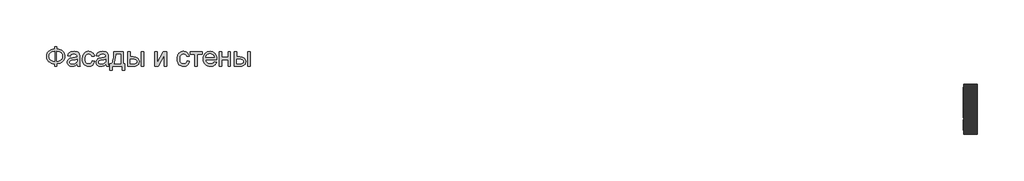
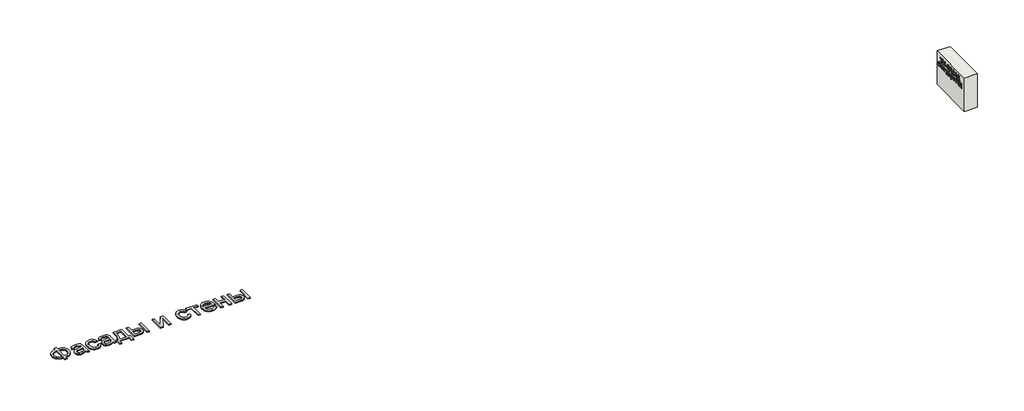
# One storey: 2 proxies, 1 wall.
"""IFC4 building model written with IfcOpenShell, lengths in millimetres."""

import ifcopenshell
import ifcopenshell.guid

model = None  # the IFC model being written
_history = None  # IfcOwnerHistory: only IFC2X3 demands one
_inside = {}  # id of a spatial element -> (the spatial element, [elements in it])
_under = {}  # id of a project, library or spatial element -> (it, [spatial elements below it])
_declared = {}  # id of a project -> (the project, [libraries it declares])
_typed = {}  # id of a type object -> (the type object, [elements of that type])
_made_of = {}  # id of a material, layer set ... -> (it, [elements and type objects made of it])


def new_model(schema):
    """Start an empty IFC model of exactly this schema.

    Asked for "IFC4X3", IfcOpenShell would pick the latest addendum, in which some entities
    have other attributes; the version numbers below select the first issue.
    IFC2X3 requires an IfcOwnerHistory on every rooted entity: one is made here for all.
    """
    global model, _history
    if schema == "IFC4X3":
        model = ifcopenshell.file(schema_version=(4, 3, 0, 0))
    else:
        model = ifcopenshell.file(schema=schema)
    _inside.clear()
    _under.clear()
    _declared.clear()
    _typed.clear()
    _made_of.clear()
    _history = None
    if model.schema == "IFC2X3":
        org = make("IfcOrganization", Name="unknown")
        user = make(
            "IfcPersonAndOrganization",
            ThePerson=make("IfcPerson", FamilyName="unknown"),
            TheOrganization=org,
        )
        app = make(
            "IfcApplication",
            ApplicationDeveloper=org,
            Version="unknown",
            ApplicationFullName="unknown",
            ApplicationIdentifier="unknown",
        )
        _history = make(
            "IfcOwnerHistory",
            OwningUser=user,
            OwningApplication=app,
            ChangeAction="ADDED",
            CreationDate=0,
        )
    return model


def make(cls, **values):
    """One entity of the class cls with the attributes given. An attribute that is None is left unset."""
    return model.create_entity(
        cls, **{name: value for name, value in values.items() if value is not None}
    )


def rooted(cls, **values):
    """An entity with a GlobalId (a new one), such as an element, a storey or a relation."""
    return make(cls, GlobalId=ifcopenshell.guid.new(), OwnerHistory=_history, **values)


def si_unit(unit_type, name, prefix=None):
    """IfcSIUnit, for example si_unit("LENGTHUNIT", "METRE", prefix="MILLI")."""
    return make("IfcSIUnit", UnitType=unit_type, Prefix=prefix, Name=name)


def assignment(units):
    """IfcUnitAssignment: the units of a project."""
    return None if units is None else make("IfcUnitAssignment", Units=units)


def point(xyz):
    """IfcCartesianPoint."""
    return None if xyz is None else make("IfcCartesianPoint", Coordinates=xyz)


def direction(xyz):
    """IfcDirection."""
    return None if xyz is None else make("IfcDirection", DirectionRatios=xyz)


def frame(location, z_axis=None, x_axis=None):
    """IfcAxis2Placement3D, a coordinate frame: its origin and axes. An axis left out is left unset."""
    return make(
        "IfcAxis2Placement3D",
        Location=point(location),
        Axis=direction(z_axis),
        RefDirection=direction(x_axis),
    )


def origin():
    """The frame at (0, 0, 0) with its axes left unset."""
    return frame((0.0, 0.0, 0.0))


def origin_with_axes():
    """The frame at (0, 0, 0) with the z axis (0, 0, 1) and the x axis (1, 0, 0) written out."""
    return frame((0.0, 0.0, 0.0), z_axis=(0.0, 0.0, 1.0), x_axis=(1.0, 0.0, 0.0))


def place(relative_to, where):
    """IfcLocalPlacement: puts the frame where relative to a parent placement (None: the world)."""
    return make(
        "IfcLocalPlacement", PlacementRelTo=relative_to, RelativePlacement=where
    )


def context(
    kind, dimensions, precision=None, world=None, true_north=None, identifier=None
):
    """IfcGeometricRepresentationContext, for example the 3D "Model" context."""
    return make(
        "IfcGeometricRepresentationContext",
        ContextIdentifier=identifier,
        ContextType=kind,
        CoordinateSpaceDimension=dimensions,
        Precision=precision,
        WorldCoordinateSystem=world,
        TrueNorth=true_north,
    )


def project(units=None, contexts=None):
    """IfcProject with its units and contexts."""
    return rooted(
        "IfcProject",
        Name="project",
        RepresentationContexts=contexts,
        UnitsInContext=assignment(units),
    )


def spatial(cls, under=None, at=None, **own):
    """A site, building, storey or space (cls), placed at a placement, below another one or the project."""
    s = rooted(cls, ObjectPlacement=at, **own)
    if under is not None:
        _under.setdefault(under.id(), (under, []))[1].append(s)
    return s


def polyline(points):
    """IfcPolyline through the points."""
    return make("IfcPolyline", Points=[point(p) for p in points])


def outline(outer, holes=None, kind="AREA"):
    """IfcArbitraryClosedProfileDef: a profile drawn as a closed curve; with holes, ...WithVoids."""
    if holes is None:
        return make("IfcArbitraryClosedProfileDef", ProfileType=kind, OuterCurve=outer)
    return make(
        "IfcArbitraryProfileDefWithVoids",
        ProfileType=kind,
        OuterCurve=outer,
        InnerCurves=holes,
    )


def extrude(swept, where, along, depth):
    """IfcExtrudedAreaSolid: the profile swept, set in the frame where, extruded along a direction by depth."""
    return make(
        "IfcExtrudedAreaSolid",
        SweptArea=swept,
        Position=where,
        ExtrudedDirection=direction(along),
        Depth=depth,
    )


def shape(context_of_items, identifier, shape_type, items):
    """IfcShapeRepresentation: the items that make up one representation, for example the "Body"."""
    return make(
        "IfcShapeRepresentation",
        ContextOfItems=context_of_items,
        RepresentationIdentifier=identifier,
        RepresentationType=shape_type,
        Items=items,
    )


def made_of(thing, what):
    """Note that an element or type object is made of a material, layer set ...; save() writes the relation."""
    if what is not None:
        _made_of.setdefault(what.id(), (what, []))[1].append(thing)
    return thing


def element(
    cls,
    number,
    at=None,
    inside=None,
    cuts=None,
    type_object=None,
    material=None,
    context=None,
    identifier="Body",
    shape_type=None,
    held_by="IfcProductDefinitionShape",
    body=None,
    shapes=None,
    **own,
):
    """One element of the class cls, such as IfcWall. Its Tag is "e" and its number.

    at: its placement. inside: the storey or other place that contains it. cuts: it is an
    opening in that element (IfcRelVoidsElement). A single representation is given by context,
    identifier, shape_type and body (its items); several are given by shapes. held_by: the class
    of the entity that holds the representations. save() writes the other relations.
    """
    e = rooted(cls, Tag="e%d" % number, ObjectPlacement=at, **own)
    if body is not None:
        shapes = [shape(context, identifier, shape_type, body)]
    if shapes is not None:
        e.Representation = make(held_by, Representations=shapes)
    if inside is not None:
        _inside.setdefault(inside.id(), (inside, []))[1].append(e)
    if cuts is not None:
        rooted(
            "IfcRelVoidsElement", RelatingBuildingElement=cuts, RelatedOpeningElement=e
        )
    if type_object is not None:
        _typed.setdefault(type_object.id(), (type_object, []))[1].append(e)
    return made_of(e, material)


def aggregate(whole, parts):
    """IfcRelAggregates: a whole, such as a stair, and the parts it consists of."""
    return rooted("IfcRelAggregates", RelatingObject=whole, RelatedObjects=parts)


def save(model, path):
    """Write the relations noted so far, then the file.

    IfcRelAggregates (storeys below a building ...), IfcRelContainedInSpatialStructure (elements
    in a storey), IfcRelDefinesByType, IfcRelAssociatesMaterial and IfcRelDeclares: one each for
    every whole, place, type object, material and project.
    """
    for whole, parts in _under.values():
        aggregate(whole, parts)
    for where, things in _inside.values():
        rooted(
            "IfcRelContainedInSpatialStructure",
            RelatedElements=things,
            RelatingStructure=where,
        )
    for kind, things in _typed.values():
        rooted("IfcRelDefinesByType", RelatedObjects=things, RelatingType=kind)
    for what, things in _made_of.values():
        rooted("IfcRelAssociatesMaterial", RelatedObjects=things, RelatingMaterial=what)
    for by, libraries in _declared.values():
        rooted("IfcRelDeclares", RelatingContext=by, RelatedDefinitions=libraries)
    model.write(path)


model = new_model("IFC4")

# Units and contexts
model_context = context("Model", 3, world=origin())
ifc_project = project(units=[si_unit("LENGTHUNIT", "METRE", prefix="MILLI")], contexts=[model_context])

# Site, building, storey
site = spatial("IfcSite", under=ifc_project)
building = spatial("IfcBuilding", under=site)
storey = spatial("IfcBuildingStorey", under=building, Elevation=0.0)

# Proxies
placement = place(None, origin())
element("IfcBuildingElementProxy", 1, Name="Generic Models", at=placement, inside=storey, context=model_context, shape_type="SweptSolid", body=[
    extrude(outline(polyline([(-1939.8736325, -20885.7211043), (-1939.8736325, -20787.7817103), (-1841.9342386, -20787.7817103), (-1841.9342386, -20885.7211043), (-1772.0723186, -20894.3529698), (-1709.9695132, -20912.2144755), (-1655.6258224, -20939.3056213), (-1609.0412461, -20975.6264073), (-1571.6743546, -21019.0607113), (-1544.9837177, -21067.4924111), (-1528.9693356, -21120.9215067), (-1523.6312083, -21179.3479982), (-1528.8019587, -21236.6028514), (-1544.3142102, -21289.3863505), (-1570.1679625, -21337.6984954), (-1606.3632158, -21381.5392861), (-1628.1416397, -21401.1761824), (-1652.1109076, -21418.4817577), (-1706.6219753, -21446.0989452), (-1769.896419, -21464.3908486), (-1841.9342386, -21473.3574679), (-1841.9342386, -21571.2968619), (-1939.8736325, -21571.2968619), (-1939.8736325, -21473.3574679), (-2005.3060425, -21466.0586398), (-2065.0237272, -21449.518216), (-2119.0266865, -21423.7361966), (-2167.3149204, -21388.7125816), (-2207.0669327, -21345.8939854), (-2222.6837947, -21322.10405), (-2235.4612272, -21296.7270228), (-2245.3992303, -21269.7629041), (-2252.4978039, -21241.2116938), (-2258.1766628, -21179.3479982), (-2252.5157371, -21117.2033486), (-2245.4395801, -21088.5878775), (-2235.5329602, -21061.6103088), (-2222.7958774, -21036.2706426), (-2207.2283318, -21012.5688789), (-2188.8303234, -20990.5050176), (-2167.6018522, -20970.0790588), (-2119.4032845, -20935.3961753), (-2065.382392, -20909.775555), (-2005.5391746, -20893.217198), (-1939.8736325, -20885.7211043)]), holes=[polyline([(-1841.9342386, -20983.6604982), (-1841.9342386, -21375.418074), (-1793.3949393, -21370.2234125), (-1750.3073446, -21359.2303372), (-1712.6714545, -21342.4388481), (-1680.4872689, -21319.8489452), (-1654.7112272, -21291.9627591), (-1636.2997689, -21259.2824206), (-1625.2528939, -21221.8079296), (-1621.5706022, -21179.5392861), (-1625.1871387, -21137.922217), (-1636.036748, -21100.872146), (-1654.1194303, -21068.389073), (-1679.4351855, -21040.4729982), (-1711.2905951, -21017.6977852), (-1748.9922405, -21000.6372975), (-1792.5401216, -20989.2915352), (-1841.9342386, -20983.6604982)]), polyline([(-1939.8736325, -20983.6604982), (-1986.781007, -20988.5861611), (-2028.989873, -20999.3461043), (-2066.5002305, -21015.9403278), (-2099.3120795, -21038.3688316), (-2125.9668498, -21066.2012179), (-2145.0059715, -21099.0070891), (-2156.4294445, -21136.7864452), (-2160.2372689, -21179.5392861), (-2156.4772665, -21221.9035735), (-2145.1972594, -21259.4737085), (-2126.3972476, -21292.2496909), (-2100.077231, -21320.231521), (-2067.5044919, -21342.8692459), (-2029.9463124, -21359.612913), (-1987.4026926, -21370.4625224), (-1939.8736325, -21375.418074), (-1939.8736325, -20983.6604982)])]), origin_with_axes(), (0.0, 0.0, 1.0), 40.0),
    extrude(outline(polyline([(-1033.9342386, -21497.8423164), (-1080.7280359, -21537.964949), (-1104.6449985, -21552.8256261), (-1128.9086704, -21564.2192103), (-1179.5760473, -21578.7092672), (-1233.8300719, -21583.5392861), (-1277.4377305, -21580.6341014), (-1315.677373, -21571.9185475), (-1348.5489995, -21557.3926242), (-1376.0526098, -21537.0563316), (-1397.7697618, -21512.2008628), (-1413.2820132, -21484.1174111), (-1422.589364, -21452.8059764), (-1425.6918143, -21418.2665588), (-1421.0052613, -21377.6657066), (-1406.9456022, -21340.7949679), (-1385.2583389, -21309.2324679), (-1357.6889734, -21284.5563316), (-1325.2895889, -21265.9057634), (-1289.1122689, -21252.4199679), (-1204.3717386, -21237.6908013), (-1104.232534, -21222.1964831), (-1034.5081022, -21204.0241346), (-1033.9342386, -21182.2173164), (-1035.619963, -21158.4737085), (-1040.6771363, -21138.5080361), (-1049.1057585, -21122.3202994), (-1060.9058295, -21109.9104982), (-1081.3018996, -21097.5246081), (-1106.1454128, -21088.6775437), (-1135.4363693, -21083.369305), (-1169.1747689, -21081.5998922), (-1227.5175719, -21086.3103562), (-1250.0895416, -21092.1984362), (-1268.2618901, -21100.4417482), (-1283.1943001, -21111.6858888), (-1296.0464545, -21126.5764547), (-1306.8183532, -21145.1134457), (-1315.5099961, -21167.2968619), (-1413.4493901, -21155.0544376), (-1396.4486799, -21101.4938316), (-1384.810008, -21079.0175058), (-1371.0791249, -21059.4104982), (-1354.6642338, -21042.2782776), (-1334.9735378, -21027.2263126), (-1312.0070369, -21014.2546033), (-1285.764731, -21003.3631497), (-1225.5807821, -20988.5861611), (-1156.5497689, -20983.6604982), (-1090.3402518, -20988.0122975), (-1037.8556401, -21001.0676952), (-998.2829602, -21020.6986138), (-970.8092386, -21044.7769755), (-952.5890681, -21074.5461516), (-940.7770416, -21111.2495134), (-937.1903939, -21145.1074679), (-935.9948446, -21196.9464831), (-935.9948446, -21318.7968619), (-934.7514734, -21424.9377236), (-931.0213598, -21488.94743), (-923.6567764, -21531.0068524), (-911.5099961, -21571.2968619), (-1009.4493901, -21571.2968619), (-1025.1349961, -21537.2476194), (-1033.9342386, -21497.8423164)]), holes=[polyline([(-1033.9342386, -21301.9635285), (-1099.7372689, -21318.2708202), (-1191.9380264, -21331.9957255), (-1242.7488693, -21339.5037747), (-1276.2003371, -21347.8726194), (-1298.1267102, -21358.7282066), (-1314.3622689, -21373.6964831), (-1324.4048825, -21391.6297217), (-1327.7524204, -21411.3801952), (-1325.9292078, -21426.599537), (-1320.45957, -21440.5037747), (-1311.343507, -21453.0929083), (-1298.5810189, -21464.3669376), (-1282.2916604, -21473.6563552), (-1262.5949867, -21480.2916535), (-1212.9796931, -21485.5998922), (-1160.3755264, -21479.7417009), (-1136.3688977, -21472.4189618), (-1113.8925719, -21462.167127), (-1076.2088598, -21436.2715304), (-1050.0024204, -21405.450271), (-1038.3816818, -21373.6964831), (-1034.5081022, -21329.700271), (-1033.9342386, -21301.9635285)])]), origin_with_axes(), (0.0, 0.0, 1.0), 40.0),
    extrude(outline(polyline([(-434.0554507, -21363.1756497), (-336.1160568, -21375.418074), (-346.7684005, -21421.6320299), (-363.4224014, -21462.5257918), (-386.0780596, -21498.0993595), (-414.7353749, -21528.3527331), (-448.1868427, -21552.49685), (-485.2249583, -21569.7426478), (-525.8497215, -21580.0901265), (-570.0611325, -21583.5392861), (-624.9906425, -21578.7272004), (-674.2412935, -21564.2909433), (-717.8130856, -21540.2305148), (-755.7060189, -21506.5459149), (-786.3778347, -21463.8707847), (-808.2862746, -21412.8387653), (-821.4313385, -21353.4498567), (-825.8130264, -21285.7040588), (-823.9419919, -21240.6736966), (-818.3288882, -21198.5485191), (-808.9737154, -21159.3285262), (-795.8764734, -21123.0137179), (-778.9474961, -21090.3333794), (-758.0971174, -21062.0167956), (-733.3253371, -21038.0639665), (-704.6321552, -21018.4748922), (-673.3147428, -21003.2435948), (-640.6702708, -20992.3640967), (-606.698739, -20985.8363978), (-571.4001477, -20983.6604982), (-527.9479104, -20986.6493713), (-488.6442291, -20995.6159906), (-453.4891036, -21010.5603562), (-422.482534, -21031.4824679), (-396.150562, -21057.9041062), (-375.0192291, -21089.3470513), (-359.0885354, -21125.8113031), (-348.358481, -21167.2968619), (-446.2978749, -21179.5392861), (-453.9434123, -21156.6624513), (-464.0637367, -21136.8103562), (-476.6588479, -21119.9830006), (-491.7287461, -21106.1803846), (-508.8908555, -21095.4264192), (-527.7626003, -21087.7450153), (-548.3439805, -21083.1361729), (-570.6349961, -21081.5998922), (-603.9131093, -21084.6246317), (-633.927373, -21093.6988505), (-660.6777873, -21108.8225484), (-684.1643522, -21129.9957255), (-703.2871623, -21157.7085569), (-716.9463124, -21192.4512179), (-725.1418025, -21234.2237085), (-727.8736325, -21283.0260285), (-725.20158, -21332.5636114), (-717.1854223, -21374.8202994), (-703.8251595, -21409.7960924), (-685.1207916, -21437.4909906), (-662.1004909, -21458.5386351), (-635.7924299, -21473.5726668), (-606.1966084, -21482.5930858), (-573.3130264, -21485.5998922), (-546.8136775, -21483.7228799), (-522.5978276, -21478.0918429), (-500.6654767, -21468.7067814), (-481.0166249, -21455.5676952), (-464.2012248, -21438.5311185), (-450.7692291, -21417.4535853), (-440.7206377, -21392.3350958), (-434.0554507, -21363.1756497)])), origin_with_axes(), (0.0, 0.0, 1.0), 40.0),
    extrude(outline(polyline([(116.8536402, -21497.8423164), (70.0598429, -21537.964949), (46.1428803, -21552.8256261), (21.8792084, -21564.2192103), (-28.7881685, -21578.7092672), (-83.0421931, -21583.5392861), (-126.6498517, -21580.6341014), (-164.8894943, -21571.9185475), (-197.7611207, -21557.3926242), (-225.264731, -21537.0563316), (-246.981883, -21512.2008628), (-262.4941344, -21484.1174111), (-271.8014853, -21452.8059764), (-274.9039355, -21418.2665588), (-270.2173825, -21377.6657066), (-256.1577234, -21340.7949679), (-234.4704602, -21309.2324679), (-206.9010946, -21284.5563316), (-174.5017102, -21265.9057634), (-138.3243901, -21252.4199679), (-53.5838598, -21237.6908013), (46.5553448, -21222.1964831), (116.2797766, -21204.0241346), (116.8536402, -21182.2173164), (115.1679158, -21158.4737085), (110.1107425, -21138.5080361), (101.6821203, -21122.3202994), (89.8820493, -21109.9104982), (69.4859792, -21097.5246081), (44.642466, -21088.6775437), (15.3515095, -21083.369305), (-18.3868901, -21081.5998922), (-76.7296931, -21086.3103562), (-99.3016628, -21092.1984362), (-117.4740113, -21100.4417482), (-132.4064213, -21111.6858888), (-145.2585757, -21126.5764547), (-156.0304744, -21145.1134457), (-164.7221174, -21167.2968619), (-262.6615113, -21155.0544376), (-245.6608011, -21101.4938316), (-234.0221292, -21079.0175058), (-220.2912461, -21059.4104982), (-203.876355, -21042.2782776), (-184.185659, -21027.2263126), (-161.2191581, -21014.2546033), (-134.9768522, -21003.3631497), (-74.7929033, -20988.5861611), (-5.7618901, -20983.6604982), (60.447627, -20988.0122975), (112.9322387, -21001.0676952), (152.5049186, -21020.6986138), (179.9786402, -21044.7769755), (198.1988107, -21074.5461516), (210.0108372, -21111.2495134), (213.5974849, -21145.1074679), (214.7930342, -21196.9464831), (214.7930342, -21318.7968619), (216.0364054, -21424.9377236), (219.766519, -21488.94743), (227.1311023, -21531.0068524), (239.2778826, -21571.2968619), (141.3384887, -21571.2968619), (125.6528826, -21537.2476194), (116.8536402, -21497.8423164)]), holes=[polyline([(116.8536402, -21301.9635285), (51.0506099, -21318.2708202), (-41.1501477, -21331.9957255), (-91.9609905, -21339.5037747), (-125.4124583, -21347.8726194), (-147.3388314, -21358.7282066), (-163.5743901, -21373.6964831), (-173.6170037, -21391.6297217), (-176.9645416, -21411.3801952), (-175.141329, -21426.599537), (-169.6716912, -21440.5037747), (-160.5556282, -21453.0929083), (-147.7931401, -21464.3669376), (-131.5037817, -21473.6563552), (-111.8071079, -21480.2916535), (-62.1918143, -21485.5998922), (-9.5876477, -21479.7417009), (14.4189811, -21472.4189618), (36.8953069, -21462.167127), (74.579019, -21436.2715304), (100.7854584, -21405.450271), (112.406197, -21373.6964831), (116.2797766, -21329.700271), (116.8536402, -21301.9635285)])]), origin_with_axes(), (0.0, 0.0, 1.0), 40.0),
    extrude(outline(polyline([(435.1566705, -20995.9029225), (802.4293978, -20995.9029225), (802.4293978, -21473.3574679), (875.8839432, -21473.3574679), (875.8839432, -21730.448377), (777.9445493, -21730.448377), (777.9445493, -21571.2968619), (373.9445493, -21571.2968619), (373.9445493, -21730.448377), (276.0051554, -21730.448377), (276.0051554, -21473.3574679), (337.2172766, -21473.3574679), (361.1342392, -21436.3970631), (381.7156194, -21392.9448259), (398.9614172, -21343.0007563), (412.8716326, -21286.5648543), (423.4462657, -21223.6371199), (430.6853164, -21154.2175531), (434.5887846, -21078.306154), (435.1566705, -20995.9029225)]), holes=[polyline([(520.8536402, -21093.8423164), (512.8195493, -21213.7559054), (497.8990948, -21316.979627), (476.0922766, -21403.5134812), (462.6064811, -21440.521708), (447.3990948, -21473.3574679), (704.4900039, -21473.3574679), (704.4900039, -21093.8423164), (520.8536402, -21093.8423164)])]), origin_with_axes(), (0.0, 0.0, 1.0), 40.0),
    extrude(outline(polyline([(986.0657614, -20995.9029225), (1084.0051554, -20995.9029225), (1084.0051554, -21204.0241346), (1205.0903826, -21204.0241346), (1260.8089551, -21207.0907184), (1309.7487633, -21216.2904698), (1351.9098074, -21231.6233888), (1387.2920872, -21253.0894755), (1415.2858727, -21279.9474892), (1435.2814338, -21311.4561895), (1447.2787704, -21347.6155763), (1451.2778826, -21388.4256497), (1447.924367, -21424.8361019), (1437.8638201, -21458.5087463), (1421.096242, -21489.443583), (1397.6216326, -21517.6406119), (1366.7824399, -21541.1152212), (1327.9211118, -21557.8827994), (1281.0376483, -21567.9433462), (1226.1320493, -21571.2968619), (986.0657614, -21571.2968619), (986.0657614, -20995.9029225)]), holes=[polyline([(1084.0051554, -21473.3574679), (1184.6225796, -21473.3574679), (1262.6202122, -21468.2166062), (1291.8274802, -21461.790529), (1314.5070493, -21452.794021), (1331.495804, -21441.0716606), (1343.6306289, -21426.4680266), (1350.9115237, -21408.983119), (1353.3384887, -21388.6169376), (1351.5391871, -21372.1542245), (1346.1412823, -21356.6240399), (1337.1447742, -21342.0263836), (1324.5496629, -21328.3612558), (1305.8094286, -21316.8122501), (1278.3775512, -21308.5629603), (1242.2540308, -21303.6133865), (1197.4388675, -21301.9635285), (1084.0051554, -21301.9635285), (1084.0051554, -21473.3574679)])]), origin_with_axes(), (0.0, 0.0, 1.0), 40.0),
    extrude(outline(polyline([(1524.7324281, -20995.9029225), (1622.671822, -20995.9029225), (1622.671822, -21571.2968619), (1524.7324281, -21571.2968619), (1524.7324281, -20995.9029225)])), origin_with_axes(), (0.0, 0.0, 1.0), 40.0),
    extrude(outline(polyline([(2075.641519, -20995.9029225), (2173.5809129, -20995.9029225), (2173.5809129, -21434.7173164), (2414.2210645, -20995.9029225), (2540.8536402, -20995.9029225), (2540.8536402, -21571.2968619), (2442.9142463, -21571.2968619), (2442.9142463, -21135.1604982), (2203.8043978, -21571.2968619), (2075.641519, -21571.2968619), (2075.641519, -20995.9029225)])), origin_with_axes(), (0.0, 0.0, 1.0), 40.0),
    extrude(outline(polyline([(3361.0960645, -21363.1756497), (3459.0354584, -21375.418074), (3448.3831147, -21421.6320299), (3431.7291137, -21462.5257918), (3409.0734556, -21498.0993595), (3380.4161402, -21528.3527331), (3346.9646724, -21552.49685), (3309.9265569, -21569.7426478), (3269.3017936, -21580.0901265), (3225.0903826, -21583.5392861), (3170.1608727, -21578.7272004), (3120.9102217, -21564.2909433), (3077.3384295, -21540.2305148), (3039.4454963, -21506.5459149), (3008.7736805, -21463.8707847), (2986.8652406, -21412.8387653), (2973.7201767, -21353.4498567), (2969.3384887, -21285.7040588), (2971.2095233, -21240.6736966), (2976.822627, -21198.5485191), (2986.1777998, -21159.3285262), (2999.2750417, -21123.0137179), (3016.204019, -21090.3333794), (3037.0543978, -21062.0167956), (3061.8261781, -21038.0639665), (3090.5193599, -21018.4748922), (3121.8367723, -21003.2435948), (3154.4812444, -20992.3640967), (3188.4527761, -20985.8363978), (3223.7513675, -20983.6604982), (3267.2036047, -20986.6493713), (3306.5072861, -20995.6159906), (3341.6624115, -21010.5603562), (3372.6689811, -21031.4824679), (3399.0009532, -21057.9041062), (3420.1322861, -21089.3470513), (3436.0629797, -21125.8113031), (3446.7930342, -21167.2968619), (3348.8536402, -21179.5392861), (3341.2081028, -21156.6624513), (3331.0877785, -21136.8103562), (3318.4926672, -21119.9830006), (3303.422769, -21106.1803846), (3286.2606596, -21095.4264192), (3267.3889148, -21087.7450153), (3246.8075346, -21083.1361729), (3224.516519, -21081.5998922), (3191.2384058, -21084.6246317), (3161.2241421, -21093.6988505), (3134.4737278, -21108.8225484), (3110.9871629, -21129.9957255), (3091.8643528, -21157.7085569), (3078.2052027, -21192.4512179), (3070.0097127, -21234.2237085), (3067.2778826, -21283.0260285), (3069.9499352, -21332.5636114), (3077.9660929, -21374.8202994), (3091.3263557, -21409.7960924), (3110.0307236, -21437.4909906), (3133.0510242, -21458.5386351), (3159.3590853, -21473.5726668), (3188.9549068, -21482.5930858), (3221.8384887, -21485.5998922), (3248.3378377, -21483.7228799), (3272.5536876, -21478.0918429), (3294.4860384, -21468.7067814), (3314.1348902, -21455.5676952), (3330.9502903, -21438.5311185), (3344.3822861, -21417.4535853), (3354.4308774, -21392.3350958), (3361.0960645, -21363.1756497)])), origin_with_axes(), (0.0, 0.0, 1.0), 40.0),
    extrude(outline(polyline([(3495.7627311, -20995.9029225), (3960.9748523, -20995.9029225), (3960.9748523, -21093.8423164), (3777.3384887, -21093.8423164), (3777.3384887, -21571.2968619), (3679.3990948, -21571.2968619), (3679.3990948, -21093.8423164), (3495.7627311, -21093.8423164), (3495.7627311, -20995.9029225)])), origin_with_axes(), (0.0, 0.0, 1.0), 40.0),
    extrude(outline(polyline([(4449.5240948, -21399.9029225), (4545.5506099, -21412.1453467), (4530.827421, -21450.6061658), (4510.9514148, -21484.4999869), (4485.9225914, -21513.8268098), (4455.7409508, -21538.5866346), (4420.7173358, -21558.2534196), (4381.1625891, -21572.3011232), (4337.0767108, -21580.7297454), (4288.4597008, -21583.5392861), (4227.6899328, -21578.6913339), (4173.5435076, -21564.1474774), (4126.0204253, -21539.9077165), (4085.1206857, -21505.9720513), (4052.231126, -21463.2849656), (4028.7385834, -21412.7909433), (4014.6430578, -21354.4899845), (4009.9445493, -21288.3820891), (4014.6908798, -21220.0325389), (4028.9298713, -21159.7888126), (4052.6615237, -21107.6509102), (4085.8858372, -21063.6188316), (4126.6779773, -21028.6370607), (4173.1131099, -21003.6500816), (4225.1912349, -20988.6578941), (4282.9123523, -20983.6604982), (4338.7743907, -20988.6459386), (4389.2923239, -21003.6022596), (4434.4661521, -21028.5294613), (4474.2958751, -21063.4275437), (4506.8088367, -21107.3639783), (4530.0323807, -21159.4062369), (4543.9665072, -21219.5543192), (4548.611216, -21287.8082255), (4548.0373523, -21314.2059528), (4107.8839432, -21314.2059528), (4113.5568244, -21353.2884575), (4124.8368315, -21387.5170323), (4141.7239646, -21416.8916772), (4164.2182236, -21441.4123922), (4191.0762373, -21460.7444234), (4221.0546345, -21474.5530172), (4254.1534153, -21482.8381734), (4290.3725796, -21485.5998922), (4342.4985266, -21480.4829414), (4386.3990948, -21465.1320891), (4405.2648618, -21453.3798401), (4422.0742842, -21438.590896), (4436.8273618, -21420.7652567), (4449.5240948, -21399.9029225)]), holes=[polyline([(4107.8839432, -21216.2665588), (4450.671822, -21216.2665588), (4445.6385597, -21188.5537274), (4437.4251364, -21164.5231876), (4426.0315522, -21144.1749395), (4411.4578069, -21127.5089831), (4384.7492368, -21107.4237558), (4354.3583751, -21093.0771649), (4320.2852217, -21084.4692103), (4282.5297766, -21081.5998922), (4248.0919807, -21083.889369), (4216.5115474, -21090.7577994), (4187.7884769, -21102.2051834), (4161.922769, -21118.231521), (4140.2175725, -21138.0955716), (4123.9760361, -21161.0560948), (4113.1981596, -21187.1130906), (4107.8839432, -21216.2665588)])]), origin_with_axes(), (0.0, 0.0, 1.0), 40.0),
    extrude(outline(polyline([(4646.5506099, -20995.9029225), (4744.4900039, -20995.9029225), (4744.4900039, -21216.2665588), (5001.5809129, -21216.2665588), (5001.5809129, -20995.9029225), (5099.5203069, -20995.9029225), (5099.5203069, -21571.2968619), (5001.5809129, -21571.2968619), (5001.5809129, -21314.2059528), (4744.4900039, -21314.2059528), (4744.4900039, -21571.2968619), (4646.5506099, -21571.2968619), (4646.5506099, -20995.9029225)])), origin_with_axes(), (0.0, 0.0, 1.0), 40.0),
    extrude(outline(polyline([(5246.4293978, -20995.9029225), (5344.3687917, -20995.9029225), (5344.3687917, -21204.0241346), (5465.454019, -21204.0241346), (5521.1725914, -21207.0907184), (5570.1123997, -21216.2904698), (5612.2734437, -21231.6233888), (5647.6557236, -21253.0894755), (5675.6495091, -21279.9474892), (5695.6450701, -21311.4561895), (5707.6424068, -21347.6155763), (5711.641519, -21388.4256497), (5708.2880034, -21424.8361019), (5698.2274565, -21458.5087463), (5681.4598784, -21489.443583), (5657.985269, -21517.6406119), (5627.1460763, -21541.1152212), (5588.2847482, -21557.8827994), (5541.4012846, -21567.9433462), (5486.4956857, -21571.2968619), (5246.4293978, -21571.2968619), (5246.4293978, -20995.9029225)]), holes=[polyline([(5344.3687917, -21473.3574679), (5444.986216, -21473.3574679), (5522.9838486, -21468.2166062), (5552.1911165, -21461.790529), (5574.8706857, -21452.794021), (5591.8594404, -21441.0716606), (5603.9942652, -21426.4680266), (5611.2751601, -21408.983119), (5613.7021251, -21388.6169376), (5611.9028235, -21372.1542245), (5606.5049186, -21356.6240399), (5597.5084106, -21342.0263836), (5584.9132993, -21328.3612558), (5566.1730649, -21316.8122501), (5538.7411876, -21308.5629603), (5502.6176672, -21303.6133865), (5457.8025039, -21301.9635285), (5344.3687917, -21301.9635285), (5344.3687917, -21473.3574679)])]), origin_with_axes(), (0.0, 0.0, 1.0), 40.0),
    extrude(outline(polyline([(5785.0960645, -20995.9029225), (5883.0354584, -20995.9029225), (5883.0354584, -21571.2968619), (5785.0960645, -21571.2968619), (5785.0960645, -20995.9029225)])), origin_with_axes(), (0.0, 0.0, 1.0), 40.0),
])
element("IfcBuildingElementProxy", 2, Name="Generic Models", at=placement, inside=storey, context=model_context, shape_type="SweptSolid", body=[
    extrude(outline(polyline([(-22641.3968391, 1181.1112414), (-22666.0122237, 1181.1112414), (-22666.0122237, 1353.4189337), (-22730.6276083, 1353.4189337), (-22730.6276083, 1378.0343184), (-22576.7814545, 1378.0343184), (-22576.7814545, 1353.4189337), (-22641.3968391, 1353.4189337), (-22641.3968391, 1181.1112414)])), frame((34411.3955952, 0.0, 0.0), z_axis=(1.0, 0.0, 0.0), x_axis=(0.0, 1.0, 0.0)), (0.0, 0.0, 1.0), 20.0),
    extrude(outline(polyline([(-22758.319916, 1181.1112414), (-22782.9353006, 1181.1112414), (-22782.9353006, 1273.4189337), (-22887.5506853, 1273.4189337), (-22887.5506853, 1181.1112414), (-22912.1660699, 1181.1112414), (-22912.1660699, 1378.0343184), (-22887.5506853, 1378.0343184), (-22887.5506853, 1298.0343184), (-22782.9353006, 1298.0343184), (-22782.9353006, 1378.0343184), (-22758.319916, 1378.0343184), (-22758.319916, 1181.1112414)])), frame((34411.3955952, 0.0, 0.0), z_axis=(1.0, 0.0, 0.0), x_axis=(0.0, 1.0, 0.0)), (0.0, 0.0, 1.0), 20.0),
    extrude(outline(polyline([(34411.3955952, -23016.7814545), (34411.3955952, -22939.8583776), (34431.3955952, -22939.8583776), (34431.3955952, -23016.7814545), (34411.3955952, -23016.7814545)])), frame((0.0, 0.0, 1239.5727799), z_axis=(0.0, 0.0, 1.0), x_axis=(1.0, 0.0, 0.0)), (0.0, 0.0, 1.0), 24.6153846),
    extrude(outline(polyline([(-23118.319916, 1353.4189337), (-23086.7754449, 1347.3732607), (-23061.0843391, 1332.2170107), (-23051.124904, 1321.5379241), (-23044.0110218, 1309.212203), (-23038.319916, 1279.6208568), (-23044.0290506, 1250.1196549), (-23051.1654689, 1237.7623833), (-23061.1564545, 1227.0006645), (-23086.8655891, 1211.7182126), (-23118.319916, 1205.726626), (-23118.319916, 1181.1112414), (-23142.9353006, 1181.1112414), (-23142.9353006, 1205.726626), (-23176.9437141, 1212.5775876), (-23202.1420314, 1228.8035491), (-23217.7369833, 1251.9646068), (-23222.9353006, 1279.6208568), (-23217.5687141, 1307.7338376), (-23201.4689545, 1330.8227799), (-23176.102368, 1346.7602799), (-23142.9353006, 1353.4189337), (-23142.9353006, 1378.0343184), (-23118.319916, 1378.0343184), (-23118.319916, 1353.4189337)]), holes=[polyline([(-23118.319916, 1328.8035491), (-23118.319916, 1230.3420107), (-23095.6816949, 1234.3143664), (-23078.055493, 1244.212203), (-23066.7153487, 1259.4826357), (-23062.9353006, 1279.5727799), (-23066.7634256, 1299.8131645), (-23078.2478006, 1315.0535491), (-23095.9220795, 1324.8612414), (-23118.319916, 1328.8035491)]), polyline([(-23142.9353006, 1328.8035491), (-23166.2946756, 1324.5367222), (-23183.7766468, 1314.524703), (-23194.6840987, 1299.3444145), (-23198.319916, 1279.5727799), (-23194.617993, 1259.5307126), (-23183.5122237, 1244.3083568), (-23165.9641468, 1234.4105203), (-23142.9353006, 1230.3420107), (-23142.9353006, 1328.8035491)])]), frame((34411.3955952, 0.0, 0.0), z_axis=(1.0, 0.0, 0.0), x_axis=(0.0, 1.0, 0.0)), (0.0, 0.0, 1.0), 20.0),
    extrude(outline(polyline([(-23233.8487622, 1181.1112414), (-23259.8583776, 1181.1112414), (-23282.3583776, 1242.649703), (-23363.4641468, 1242.649703), (-23386.0122237, 1181.1112414), (-23412.0218391, 1181.1112414), (-23333.4160699, 1378.0343184), (-23312.4545314, 1378.0343184), (-23233.8487622, 1181.1112414)]), holes=[polyline([(-23291.3968391, 1267.2650876), (-23310.6756853, 1319.9093184), (-23322.9353006, 1353.4189337), (-23336.7333776, 1315.6785491), (-23354.4737622, 1267.2650876), (-23291.3968391, 1267.2650876)])]), frame((34411.3955952, 0.0, 0.0), z_axis=(1.0, 0.0, 0.0), x_axis=(0.0, 1.0, 0.0)), (0.0, 0.0, 1.0), 20.0),
    extrude(outline(polyline([(-23576.7814545, 1251.1112414), (-23568.8187141, 1230.0295107), (-23555.8920314, 1214.8612414), (-23538.7706372, 1205.7025876), (-23518.2237622, 1202.649703), (-23500.5975603, 1204.8912895), (-23484.257416, 1211.6160491), (-23470.6276083, 1222.8720587), (-23461.132416, 1238.7073953), (-23455.5615026, 1258.3708568), (-23453.7045314, 1281.1112414), (-23455.273041, 1299.680953), (-23459.9785699, 1317.6977799), (-23468.554291, 1333.6352799), (-23481.7333776, 1345.9670107), (-23499.101166, 1353.8636453), (-23520.242993, 1356.4958568), (-23538.5843391, 1354.1220587), (-23553.5122237, 1347.0006645), (-23565.1708776, 1334.6869626), (-23573.7045314, 1316.7362414), (-23598.319916, 1322.601626), (-23587.4485218, 1347.3131645), (-23570.507416, 1365.774703), (-23548.1937141, 1377.2771068), (-23521.2045314, 1381.1112414), (-23496.4689545, 1378.148501), (-23473.8968391, 1369.2602799), (-23454.8643872, 1354.6629241), (-23440.7478006, 1334.5727799), (-23432.0038103, 1309.7771068), (-23429.0891468, 1281.0631645), (-23431.6672718, 1253.8396068), (-23439.4016468, 1228.4189337), (-23452.069916, 1206.7963376), (-23469.4497237, 1190.9670107), (-23492.1240026, 1181.2674914), (-23520.6756853, 1178.0343184), (-23548.8006853, 1182.3071549), (-23572.2141468, 1195.1256645), (-23590.038666, 1216.0811934), (-23601.3968391, 1244.7650876), (-23576.7814545, 1251.1112414)])), frame((34411.3955952, 0.0, 0.0), z_axis=(1.0, 0.0, 0.0), x_axis=(0.0, 1.0, 0.0)), (0.0, 0.0, 1.0), 20.0),
    extrude(outline(polyline([(-23612.3103006, 1181.1112414), (-23638.319916, 1181.1112414), (-23660.819916, 1242.649703), (-23741.9256853, 1242.649703), (-23764.4737622, 1181.1112414), (-23790.4833776, 1181.1112414), (-23711.8776083, 1378.0343184), (-23690.9160699, 1378.0343184), (-23612.3103006, 1181.1112414)]), holes=[polyline([(-23669.8583776, 1267.2650876), (-23689.1372237, 1319.9093184), (-23701.3968391, 1353.4189337), (-23715.194916, 1315.6785491), (-23732.9353006, 1267.2650876), (-23669.8583776, 1267.2650876)])]), frame((34411.3955952, 0.0, 0.0), z_axis=(1.0, 0.0, 0.0), x_axis=(0.0, 1.0, 0.0)), (0.0, 0.0, 1.0), 20.0),
    extrude(outline(polyline([(-23835.242993, 1378.0343184), (-23835.242993, 1349.524703), (-23833.7045314, 1299.9543905), (-23829.0891468, 1259.4646068), (-23821.3968391, 1228.055352), (-23810.6276083, 1205.726626), (-23795.242993, 1205.726626), (-23795.242993, 1134.9573953), (-23819.8583776, 1134.9573953), (-23819.8583776, 1181.1112414), (-23946.0122237, 1181.1112414), (-23946.0122237, 1134.9573953), (-23970.6276083, 1134.9573953), (-23970.6276083, 1205.726626), (-23952.1660699, 1205.726626), (-23952.1660699, 1378.0343184), (-23835.242993, 1378.0343184)]), holes=[polyline([(-23927.5506853, 1353.4189337), (-23927.5506853, 1205.726626), (-23835.242993, 1205.726626), (-23847.4545314, 1237.0847991), (-23854.8583776, 1276.0631645), (-23859.8583776, 1343.5150876), (-23859.8583776, 1353.4189337), (-23927.5506853, 1353.4189337)])]), frame((34411.3955952, 0.0, 0.0), z_axis=(1.0, 0.0, 0.0), x_axis=(0.0, 1.0, 0.0)), (0.0, 0.0, 1.0), 20.0),
    extrude(outline(polyline([(-22562.9353006, 1008.0343184), (-22554.9725603, 986.9525876), (-22542.0458776, 971.7843184), (-22524.9244833, 962.6256645), (-22504.3776083, 959.5727799), (-22486.7514064, 961.8143664), (-22470.4112622, 968.539126), (-22456.7814545, 979.7951357), (-22447.2862622, 995.6304722), (-22441.7153487, 1015.2939337), (-22439.8583776, 1038.0343184), (-22441.4268872, 1056.6040299), (-22446.132416, 1074.6208568), (-22454.7081372, 1090.5583568), (-22467.8872237, 1102.8900876), (-22485.2550122, 1110.7867222), (-22506.3968391, 1113.4189337), (-22524.7381853, 1111.0451357), (-22539.6660699, 1103.9237414), (-22551.3247237, 1091.6100395), (-22559.8583776, 1073.6593184), (-22584.4737622, 1079.524703), (-22573.602368, 1104.2362414), (-22556.6612622, 1122.6977799), (-22534.3475603, 1134.2001837), (-22507.3583776, 1138.0343184), (-22482.6228006, 1135.071578), (-22460.0506853, 1126.1833568), (-22441.0182333, 1111.586001), (-22426.9016468, 1091.4958568), (-22418.1576564, 1066.7001837), (-22415.242993, 1037.9862414), (-22417.821118, 1010.7626837), (-22425.555493, 985.3420107), (-22438.2237622, 963.7194145), (-22455.6035699, 947.8900876), (-22478.2778487, 938.1905684), (-22506.8295314, 934.9573953), (-22534.9545314, 939.2302318), (-22558.367993, 952.0487414), (-22576.1925122, 973.0042703), (-22587.5506853, 1001.6881645), (-22562.9353006, 1008.0343184)])), frame((34411.3955952, 0.0, 0.0), z_axis=(1.0, 0.0, 0.0), x_axis=(0.0, 1.0, 0.0)), (0.0, 0.0, 1.0), 20.0),
    extrude(outline(polyline([(-22606.0122237, 1082.649703), (-22606.0122237, 1058.0343184), (-22652.1660699, 1058.0343184), (-22652.1660699, 938.0343184), (-22676.7814545, 938.0343184), (-22676.7814545, 1058.0343184), (-22722.9353006, 1058.0343184), (-22722.9353006, 1082.649703), (-22606.0122237, 1082.649703)])), frame((34411.3955952, 0.0, 0.0), z_axis=(1.0, 0.0, 0.0), x_axis=(0.0, 1.0, 0.0)), (0.0, 0.0, 1.0), 20.0),
    extrude(outline(polyline([(-22836.7814545, 956.4958568), (-22842.9353006, 938.0343184), (-22867.5506853, 938.0343184), (-22862.6468391, 958.7314337), (-22861.3968391, 1001.4958568), (-22861.3968391, 1032.1208568), (-22860.194916, 1053.6593184), (-22852.6468391, 1070.3660491), (-22835.7958776, 1081.351626), (-22805.9641468, 1085.726626), (-22773.4881853, 1080.774703), (-22761.1203968, 1074.7771068), (-22752.0458776, 1066.6881645), (-22741.3968391, 1042.649703), (-22766.0122237, 1039.5727799), (-22770.9040506, 1049.8071549), (-22777.8872237, 1056.3756645), (-22802.7910699, 1061.1112414), (-22818.632416, 1059.3323953), (-22830.0026083, 1053.9958568), (-22835.086743, 1046.8083568), (-22836.7814545, 1035.8227799), (-22836.6372237, 1030.3420107), (-22793.944916, 1021.8804722), (-22772.6468391, 1018.1785491), (-22755.4112622, 1010.101626), (-22743.0314545, 995.9670107), (-22738.319916, 976.4958568), (-22741.4389064, 959.945376), (-22750.7958776, 946.6400876), (-22765.9701564, 937.8780684), (-22786.5410699, 934.9573953), (-22812.9112622, 939.8131645), (-22836.7814545, 956.4958568)]), holes=[polyline([(-22836.7814545, 1005.726626), (-22836.6372237, 998.7554722), (-22832.742993, 979.7170107), (-22816.6853006, 965.462203), (-22805.0026083, 961.0451357), (-22791.7814545, 959.5727799), (-22779.3115026, 960.9069145), (-22770.2670314, 964.9093184), (-22764.7682333, 970.9069145), (-22762.9353006, 978.226626), (-22766.3006853, 987.6977799), (-22775.8920314, 994.1881645), (-22797.069916, 998.1785491), (-22836.7814545, 1005.726626)])]), frame((34411.3955952, 0.0, 0.0), z_axis=(1.0, 0.0, 0.0), x_axis=(0.0, 1.0, 0.0)), (0.0, 0.0, 1.0), 20.0),
    extrude(outline(polyline([(-22895.242993, 1082.649703), (-22895.242993, 938.0343184), (-22919.8583776, 938.0343184), (-22919.8583776, 1002.649703), (-22984.4737622, 1002.649703), (-22984.4737622, 938.0343184), (-23009.0891468, 938.0343184), (-23009.0891468, 1082.649703), (-22984.4737622, 1082.649703), (-22984.4737622, 1027.2650876), (-22919.8583776, 1027.2650876), (-22919.8583776, 1082.649703), (-22895.242993, 1082.649703)])), frame((34411.3955952, 0.0, 0.0), z_axis=(1.0, 0.0, 0.0), x_axis=(0.0, 1.0, 0.0)), (0.0, 0.0, 1.0), 20.0),
    extrude(outline(polyline([(-23067.5506853, 1082.649703), (-23066.4268872, 1042.8600395), (-23061.9497237, 1009.5968184), (-23054.1191949, 982.8600395), (-23042.9353006, 962.649703), (-23027.5506853, 962.649703), (-23027.5506853, 898.0343184), (-23052.1660699, 898.0343184), (-23052.1660699, 938.0343184), (-23153.7045314, 938.0343184), (-23153.7045314, 898.0343184), (-23178.319916, 898.0343184), (-23178.319916, 962.649703), (-23159.8583776, 962.649703), (-23159.8583776, 1082.649703), (-23067.5506853, 1082.649703)]), holes=[polyline([(-23089.0891468, 1058.0343184), (-23135.242993, 1058.0343184), (-23135.242993, 962.649703), (-23070.6276083, 962.649703), (-23083.319916, 1001.9525876), (-23089.0891468, 1058.0343184)])]), frame((34411.3955952, 0.0, 0.0), z_axis=(1.0, 0.0, 0.0), x_axis=(0.0, 1.0, 0.0)), (0.0, 0.0, 1.0), 20.0),
    extrude(outline(polyline([(-23298.319916, 956.4958568), (-23304.4737622, 938.0343184), (-23329.0891468, 938.0343184), (-23324.1853006, 958.7314337), (-23322.9353006, 1001.4958568), (-23322.9353006, 1032.1208568), (-23321.7333776, 1053.6593184), (-23314.1853006, 1070.3660491), (-23297.3343391, 1081.351626), (-23267.5026083, 1085.726626), (-23235.0266468, 1080.774703), (-23222.6588583, 1074.7771068), (-23213.5843391, 1066.6881645), (-23202.9353006, 1042.649703), (-23227.5506853, 1039.5727799), (-23232.4425122, 1049.8071549), (-23239.4256853, 1056.3756645), (-23264.3295314, 1061.1112414), (-23280.1708776, 1059.3323953), (-23291.5410699, 1053.9958568), (-23296.6252045, 1046.8083568), (-23298.319916, 1035.8227799), (-23298.1756853, 1030.3420107), (-23255.4833776, 1021.8804722), (-23234.1853006, 1018.1785491), (-23216.9497237, 1010.101626), (-23204.569916, 995.9670107), (-23199.8583776, 976.4958568), (-23202.977368, 959.945376), (-23212.3343391, 946.6400876), (-23227.508618, 937.8780684), (-23248.0795314, 934.9573953), (-23274.4497237, 939.8131645), (-23298.319916, 956.4958568)]), holes=[polyline([(-23298.319916, 1005.726626), (-23298.1756853, 998.7554722), (-23294.2814545, 979.7170107), (-23278.2237622, 965.462203), (-23266.5410699, 961.0451357), (-23253.319916, 959.5727799), (-23240.8499641, 960.9069145), (-23231.805493, 964.9093184), (-23226.3066949, 970.9069145), (-23224.4737622, 978.226626), (-23227.8391468, 987.6977799), (-23237.430493, 994.1881645), (-23258.6083776, 998.1785491), (-23298.319916, 1005.726626)])]), frame((34411.3955952, 0.0, 0.0), z_axis=(1.0, 0.0, 0.0), x_axis=(0.0, 1.0, 0.0)), (0.0, 0.0, 1.0), 20.0),
    extrude(outline(polyline([(-23356.7814545, 882.649703), (-23381.3968391, 882.649703), (-23381.3968391, 957.2650876), (-23396.9978006, 941.2795107), (-23407.0999641, 936.5379241), (-23418.4160699, 934.9573953), (-23434.3715987, 937.3191741), (-23449.5458776, 944.4045107), (-23462.5747237, 955.9189337), (-23472.0939545, 971.5679722), (-23477.9172718, 990.3960972), (-23479.8583776, 1011.4477799), (-23478.1396276, 1031.243453), (-23472.9833776, 1049.3804722), (-23464.4497237, 1064.7410491), (-23452.5987622, 1076.2073953), (-23438.0434737, 1083.3468184), (-23421.3968391, 1085.726626), (-23408.8968391, 1084.0259049), (-23398.4160699, 1078.9237414), (-23381.3968391, 1058.5150876), (-23381.3968391, 1082.649703), (-23356.7814545, 1082.649703), (-23356.7814545, 882.649703)]), holes=[polyline([(-23381.3968391, 1009.1881645), (-23384.2393872, 1031.5138857), (-23392.7670314, 1047.8179722), (-23404.9845795, 1057.7879241), (-23418.8968391, 1061.1112414), (-23432.7550122, 1057.9862414), (-23444.5218391, 1048.6112414), (-23452.5627045, 1032.962203), (-23455.242993, 1011.0150876), (-23452.4965987, 988.118453), (-23444.257416, 972.1208568), (-23432.1720795, 962.7097991), (-23417.8872237, 959.5727799), (-23403.8307333, 962.601626), (-23392.0458776, 971.6881645), (-23384.0590987, 987.1208568), (-23381.3968391, 1009.1881645)])]), frame((34411.3955952, 0.0, 0.0), z_axis=(1.0, 0.0, 0.0), x_axis=(0.0, 1.0, 0.0)), (0.0, 0.0, 1.0), 20.0),
    extrude(outline(polyline([(-23495.242993, 1082.649703), (-23495.242993, 1058.0343184), (-23541.3968391, 1058.0343184), (-23541.3968391, 938.0343184), (-23566.0122237, 938.0343184), (-23566.0122237, 1058.0343184), (-23612.1660699, 1058.0343184), (-23612.1660699, 1082.649703), (-23495.242993, 1082.649703)])), frame((34411.3955952, 0.0, 0.0), z_axis=(1.0, 0.0, 0.0), x_axis=(0.0, 1.0, 0.0)), (0.0, 0.0, 1.0), 20.0),
    extrude(outline(polyline([(-23713.7045314, 938.0343184), (-23738.319916, 938.0343184), (-23738.319916, 1018.0343184), (-23788.367993, 1018.0343184), (-23823.3379449, 1022.3852799), (-23836.0407694, 1027.8239818), (-23845.555493, 1035.4381645), (-23857.4365026, 1054.7771068), (-23861.3968391, 1077.9862414), (-23855.5314545, 1104.837203), (-23848.7225603, 1115.7146068), (-23840.0266468, 1123.8756645), (-23816.1083776, 1133.0823953), (-23786.6853006, 1134.9573953), (-23713.7045314, 1134.9573953), (-23713.7045314, 938.0343184)]), holes=[polyline([(-23738.319916, 1042.649703), (-23738.319916, 1110.3420107), (-23789.2333776, 1110.3420107), (-23813.8487622, 1108.6593184), (-23823.1456372, 1104.524703), (-23830.4593391, 1097.5054722), (-23835.2009256, 1088.1785491), (-23836.7814545, 1077.1208568), (-23834.101166, 1062.5655684), (-23826.0603006, 1051.6881645), (-23811.6372237, 1044.9093184), (-23789.8103006, 1042.649703), (-23738.319916, 1042.649703)])]), frame((34411.3955952, 0.0, 0.0), z_axis=(1.0, 0.0, 0.0), x_axis=(0.0, 1.0, 0.0)), (0.0, 0.0, 1.0), 20.0),
    extrude(outline(polyline([(34411.3955952, -23922.9353006), (34411.3955952, -23898.319916), (34431.3955952, -23898.319916), (34431.3955952, -23922.9353006), (34411.3955952, -23922.9353006)])), frame((0.0, 0.0, 938.0343184), z_axis=(0.0, 0.0, 1.0), x_axis=(1.0, 0.0, 0.0)), (0.0, 0.0, 1.0), 196.9230769),
    extrude(outline(polyline([(-23972.1660699, 938.0343184), (-23996.7814545, 938.0343184), (-23996.7814545, 1024.1881645), (-24026.492993, 1024.1881645), (-24040.7718391, 1023.3227799), (-24052.4785699, 1018.6352799), (-24065.4833776, 1005.8708568), (-24083.992993, 978.851626), (-24109.617993, 938.0343184), (-24138.2237622, 938.0343184), (-24105.3872237, 991.399703), (-24085.4353006, 1016.7362414), (-24071.444916, 1027.2650876), (-24095.6937141, 1033.7915299), (-24112.6708776, 1045.5823953), (-24122.6768872, 1061.664126), (-24126.0122237, 1081.0631645), (-24123.9990026, 1096.6581164), (-24117.9593391, 1110.8468184), (-24108.5482814, 1122.289126), (-24096.4208776, 1129.6448953), (-24079.8283295, 1133.6292703), (-24057.0218391, 1134.9573953), (-23972.1660699, 1134.9573953), (-23972.1660699, 938.0343184)]), holes=[polyline([(-23996.7814545, 1048.8035491), (-23996.7814545, 1110.3420107), (-24058.0795314, 1110.3420107), (-24077.5566949, 1108.2146068), (-24090.9881853, 1101.8323953), (-24098.7946756, 1092.1569145), (-24101.3968391, 1080.149703), (-24095.9401083, 1063.4429722), (-24079.9785699, 1052.289126), (-24051.8776083, 1048.8035491), (-23996.7814545, 1048.8035491)])]), frame((34411.3955952, 0.0, 0.0), z_axis=(1.0, 0.0, 0.0), x_axis=(0.0, 1.0, 0.0)), (0.0, 0.0, 1.0), 20.0),
])

# Wall
element("IfcWall", 3, at=placement, inside=storey, context=model_context, shape_type="SweptSolid", body=[
    extrude(outline(polyline([(34981.3955952, -22302.6148653), (34981.3955952, -24302.6148653), (34431.3955952, -24302.6148653), (34431.3955952, -22302.6148653), (34981.3955952, -22302.6148653)])), origin_with_axes(), (0.0, 0.0, 1.0), 1500.0),
])

save(model, "model.ifc")
